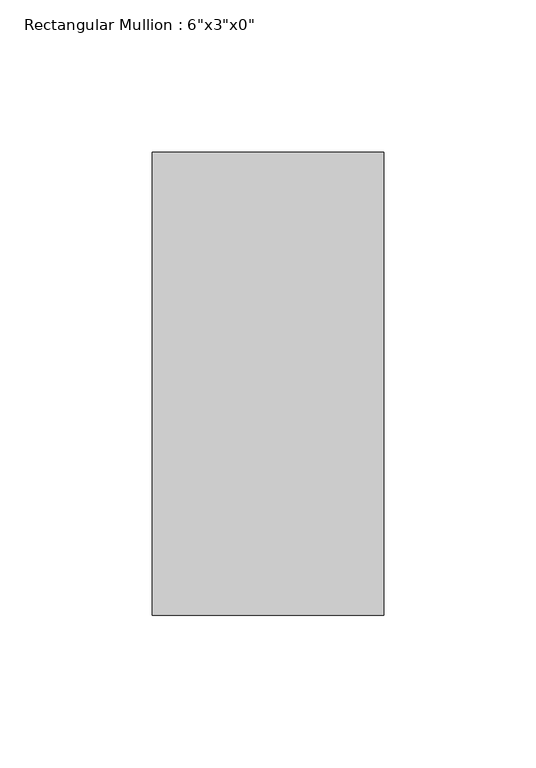
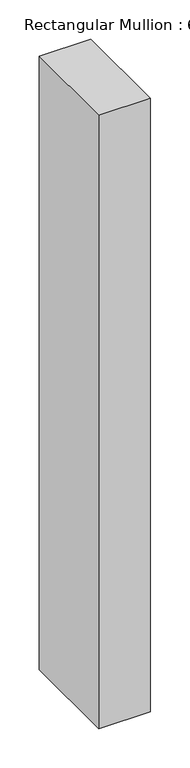
"""IFC4 building model written with IfcOpenShell, lengths in millimetres: member geometry."""

from ifc_helpers import new_model, si_unit, frame, origin, place, context, project, spatial, polyline, outline, extrude, source, transform, mapped, element, save


def member_ef4a5427(model_context):
    return source(origin(), model_context, "Body", "SweptSolid", [
        extrude(outline(polyline([(38.1, 76.2), (38.1, -76.2), (-38.1, -76.2), (-38.1, 76.2), (38.1, 76.2)])), frame((0.0, 0.0, -956.7333333), z_axis=(0.0, 0.0, 1.0), x_axis=(1.0, 0.0, 0.0)), (0.0, 0.0, 1.0), 956.7333333),
    ])


if __name__ == "__main__":
    model = new_model("IFC4")
    model_context = context("Model", 3, world=origin())
    ifc_project = project(units=[si_unit("LENGTHUNIT", "METRE", prefix="MILLI")], contexts=[model_context])
    site = spatial("IfcSite", under=ifc_project)
    building = spatial("IfcBuilding", under=site)
    placement = place(None, origin())
    member_shape = member_ef4a5427(model_context)
    element("IfcMember", 1, ObjectType="Rectangular Mullion : 6\"x3\"x0\"", at=placement, inside=building, context=model_context, shape_type="MappedRepresentation", body=[
        mapped(member_shape, transform((0.0, 0.0, 0.0), x_axis=(1.0, 0.0, 0.0), y_axis=(0.0, 1.0, 0.0), z_axis=(0.0, 0.0, 1.0))),
    ])
    save(model, "model.ifc")
